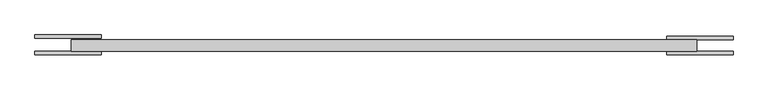
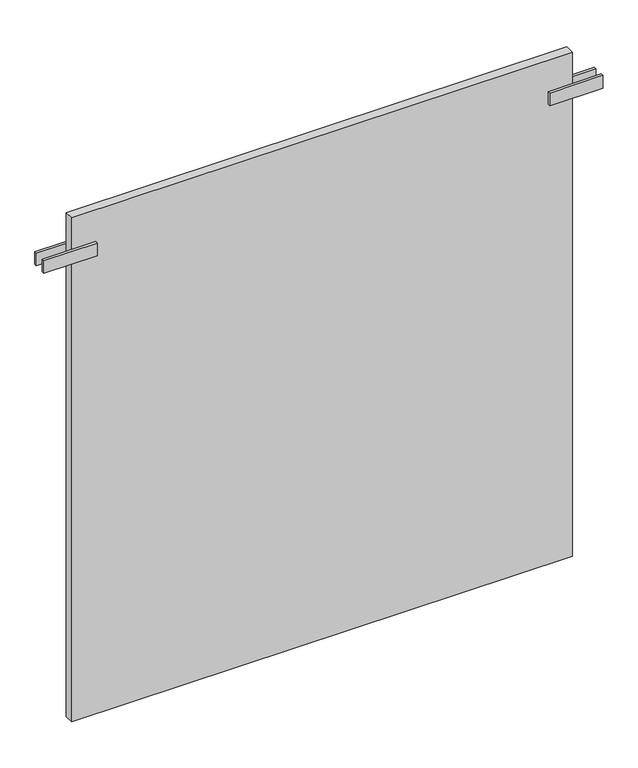
"""IFC4 building model written with IfcOpenShell, lengths in millimetres: plate geometry."""

from ifc_helpers import new_model, si_unit, frame, origin, origin_with_axes, place, context, project, spatial, polyline, outline, extrude, source, transform, mapped, element, save


def plate_45bfe6a7(model_context):
    return source(origin(), model_context, "Body", "SweptSolid", [
        extrude(outline(polyline([(424.9999999, -45.75), (424.9999999, -40.75), (524.9999999, -40.75), (524.9999999, -45.75), (424.9999999, -45.75)])), frame((0.0, 0.0, 912.5), z_axis=(0.0, 0.0, 1.0), x_axis=(1.0, 0.0, 0.0)), (0.0, 0.0, 1.0), 25.0),
        extrude(outline(polyline([(424.9999999, -18.25), (524.9999999, -18.25), (524.9999999, -23.25), (424.9999999, -23.25), (424.9999999, -18.25)])), frame((0.0, 0.0, 912.5), z_axis=(0.0, 0.0, 1.0), x_axis=(1.0, 0.0, 0.0)), (0.0, 0.0, 1.0), 25.0),
        extrude(outline(polyline([(-424.9999999, -45.75), (-524.9999999, -45.75), (-524.9999999, -40.75), (-424.9999999, -40.75), (-424.9999999, -45.75)])), frame((0.0, 0.0, 912.5), z_axis=(0.0, 0.0, 1.0), x_axis=(1.0, 0.0, 0.0)), (0.0, 0.0, 1.0), 25.0),
        extrude(outline(polyline([(-424.9999999, -16.25), (-424.9999999, -21.25), (-524.9999999, -21.25), (-524.9999999, -16.25), (-424.9999999, -16.25)])), frame((0.0, 0.0, 912.5), z_axis=(0.0, 0.0, 1.0), x_axis=(1.0, 0.0, 0.0)), (0.0, 0.0, 1.0), 25.0),
        extrude(outline(polyline([(469.9999999, -23.25), (469.9999999, -40.75), (-469.9999999, -40.75), (-469.9999999, -23.25), (469.9999999, -23.25)])), origin_with_axes(), (0.0, 0.0, 1.0), 1000.0),
    ])


if __name__ == "__main__":
    model = new_model("IFC4")
    model_context = context("Model", 3, world=origin())
    ifc_project = project(units=[si_unit("LENGTHUNIT", "METRE", prefix="MILLI")], contexts=[model_context])
    site = spatial("IfcSite", under=ifc_project)
    building = spatial("IfcBuilding", under=site)
    placement = place(None, origin())
    plate_shape = plate_45bfe6a7(model_context)
    element("IfcPlate", 1, at=placement, inside=building, context=model_context, shape_type="MappedRepresentation", body=[
        mapped(plate_shape, transform((0.0, 0.0, 0.0), x_axis=(1.0, 0.0, 0.0), y_axis=(0.0, 1.0, 0.0), z_axis=(0.0, 0.0, 1.0))),
    ])
    save(model, "model.ifc")
